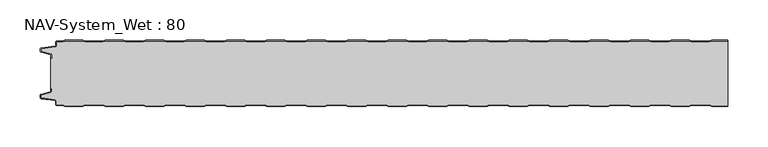
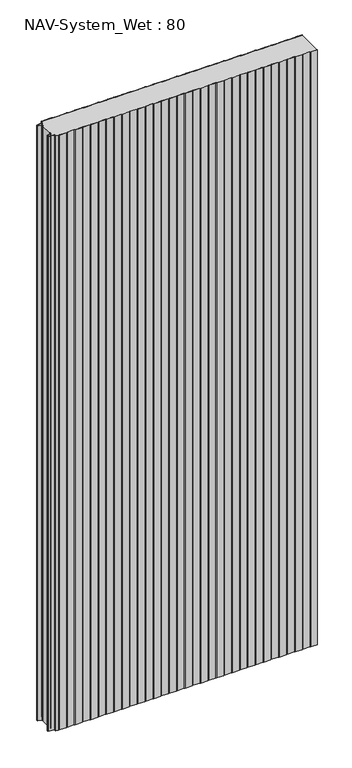
"""IFC4 building model written with IfcOpenShell, lengths in millimetres: plate geometry, NAV-System_Wet : 80."""

from ifc_helpers import new_model, si_unit, point, frame_2d, origin, origin_with_axes, place, context, project, spatial, polyline, circle_curve, trimmed, segment, composite_curve, outline, extrude, source, transform, mapped, element, save


def nav_system_wet_80_3dd9b27e(model_context):
    return source(origin(), model_context, "Body", "SweptSolid", [
        extrude(outline(composite_curve([segment(polyline([(405.3684327, 0.2), (402.3684327, -0.8), (380.3684327, -0.8), (377.3684327, 0.2), (355.3684327, 0.2), (352.3684327, -0.8), (330.3684327, -0.8), (327.3684327, 0.2), (305.3684327, 0.2), (302.3684327, -0.8), (280.3684327, -0.8), (277.3684327, 0.2), (255.3684327, 0.2), (252.3684327, -0.8), (230.3684327, -0.8), (227.3684327, 0.2), (205.3684327, 0.2), (202.3684327, -0.8), (180.3684327, -0.8), (177.3684327, 0.2), (155.3684327, 0.2), (152.3684327, -0.8), (130.3684327, -0.8), (127.3684327, 0.2), (105.3684327, 0.2), (102.3684327, -0.8), (80.3684327, -0.8), (77.3684327, 0.2), (55.3684327, 0.2), (52.3684327, -0.8), (30.3684327, -0.8), (27.3684327, 0.2), (5.3684327, 0.2), (2.3684327, -0.8), (-19.6315673, -0.8), (-22.6315673, 0.2), (-44.6315673, 0.2), (-47.6315673, -0.8), (-69.6315673, -0.8), (-72.6315673, 0.2), (-94.6315673, 0.2), (-97.6315673, -0.8), (-119.6315673, -0.8), (-122.6315673, 0.2), (-144.6315673, 0.2), (-147.6315673, -0.8), (-169.6315673, -0.8), (-172.6315673, 0.2), (-194.6315673, 0.2), (-197.6315673, -0.8), (-219.6315673, -0.8), (-222.6315673, 0.2), (-244.6315673, 0.2), (-247.6315673, -0.8), (-269.6315673, -0.8), (-272.6315673, 0.2), (-294.6315673, 0.2), (-297.6315673, -0.8), (-319.6315673, -0.8), (-322.6315673, 0.2), (-344.6315673, 0.2), (-347.6315673, -0.8), (-369.6315673, -0.8), (-372.6315673, 0.2), (-394.6315673, 0.2), (-397.6315673, -0.8), (-404.7, -0.8)]), True, "CONTINUOUS"), segment(trimmed(circle_curve(frame_2d((-404.7, -1.3)), 0.5), [point((-404.7, -0.8))], [point((-405.2, -1.3))], True, "CARTESIAN"), True, "CONTINUOUS"), segment(polyline([(-405.2, -1.3), (-405.2, -5.3964683)]), True, "CONTINUOUS"), segment(trimmed(circle_curve(frame_2d((-406.7, -5.3964683)), 1.5), [point((-405.2, -5.3964683))], [point((-406.4911207, -6.8818536))], False, "CARTESIAN"), True, "CONTINUOUS"), segment(polyline([(-406.4911207, -6.8818536), (-423.4352183, -9.2645825)]), True, "CONTINUOUS"), segment(trimmed(circle_curve(frame_2d((-423.3114909, -10.1444347)), 0.8885091), [point((-423.4352183, -9.2645825))], [point((-424.2, -10.1444347))], True, "CARTESIAN"), True, "CONTINUOUS"), segment(polyline([(-424.2, -10.1444347), (-424.2, -12.46995)]), True, "CONTINUOUS"), segment(trimmed(circle_curve(frame_2d((-423.6, -12.46995)), 0.6), [point((-424.2, -12.46995))], [point((-423.7552914, -13.0495055))], True, "CARTESIAN"), True, "CONTINUOUS"), segment(polyline([(-423.7552914, -13.0495055), (-412.3785632, -16.0978907)]), True, "CONTINUOUS"), segment(trimmed(circle_curve(frame_2d((-412.7667917, -17.5467794)), 1.5), [point((-412.3785632, -16.0978907))], [point((-411.2667917, -17.5467794))], False, "CARTESIAN"), True, "CONTINUOUS"), segment(polyline([(-411.2667917, -17.5467794), (-411.2667917, -21.0096505), (-412.0667917, -21.0096505), (-412.0667917, -17.5467794)]), True, "CONTINUOUS"), segment(trimmed(circle_curve(frame_2d((-412.7667917, -17.5467794)), 0.7), [point((-412.0667917, -17.5467794))], [point((-412.5856184, -16.8706313))], True, "CARTESIAN"), True, "CONTINUOUS"), segment(polyline([(-412.5856184, -16.8706313), (-424.0364648, -13.8023863)]), True, "CONTINUOUS"), segment(trimmed(circle_curve(frame_2d((-423.7, -12.5466827)), 1.3), [point((-424.0364648, -13.8023863))], [point((-425.0, -12.5466827))], False, "CARTESIAN"), True, "CONTINUOUS"), segment(polyline([(-425.0, -12.5466827), (-425.0, -9.8067363)]), True, "CONTINUOUS"), segment(trimmed(circle_curve(frame_2d((-423.7, -9.8067363)), 1.3), [point((-425.0, -9.8067363))], [point((-423.8810287, -8.5194024))], False, "CARTESIAN"), True, "CONTINUOUS"), segment(polyline([(-423.8810287, -8.5194024), (-406.602523, -6.0896481)]), True, "CONTINUOUS"), segment(trimmed(circle_curve(frame_2d((-406.7, -5.3964683)), 0.7), [point((-406.602523, -6.0896481))], [point((-406.0, -5.3964683))], True, "CARTESIAN"), True, "CONTINUOUS"), segment(polyline([(-406.0, -5.3964683), (-406.0, -1.3)]), True, "CONTINUOUS"), segment(trimmed(circle_curve(frame_2d((-404.7, -1.3)), 1.3), [point((-406.0, -1.3))], [point((-404.7, 0.0))], False, "CARTESIAN"), True, "CONTINUOUS"), segment(polyline([(-404.7, 0.0), (-397.7613895, 0.0), (-394.7613895, 1.0), (-372.5017452, 1.0), (-369.5017452, 0.0), (-347.7613895, 0.0), (-344.7613895, 1.0), (-322.5017452, 1.0), (-319.5017452, 0.0), (-297.7613895, 0.0), (-294.7613895, 1.0), (-272.5017452, 1.0), (-269.5017452, 0.0), (-247.7613895, 0.0), (-244.7613895, 1.0), (-222.5017452, 1.0), (-219.5017452, 0.0), (-197.7613895, 0.0), (-194.7613895, 1.0), (-172.5017452, 1.0), (-169.5017452, 0.0), (-147.7613895, 0.0), (-144.7613895, 1.0), (-122.5017452, 1.0), (-119.5017452, 0.0), (-97.7613895, 0.0), (-94.7613895, 1.0), (-72.5017452, 1.0), (-69.5017452, 0.0), (-47.7613895, 0.0), (-44.7613895, 1.0), (-22.5017452, 1.0), (-19.5017452, 0.0), (2.2386105, 0.0), (5.2386105, 1.0), (27.4982548, 1.0), (30.4982548, 0.0), (52.2386105, 0.0), (55.2386105, 1.0), (77.4982548, 1.0), (80.4982548, 0.0), (102.2386105, 0.0), (105.2386105, 1.0), (127.4982548, 1.0), (130.4982548, 0.0), (152.2386105, 0.0), (155.2386105, 1.0), (177.4982548, 1.0), (180.4982548, 0.0), (202.2386105, 0.0), (205.2386105, 1.0), (227.4982548, 1.0), (230.4982548, 0.0), (252.2386105, 0.0), (255.2386105, 1.0), (277.4982548, 1.0), (280.4982548, 0.0), (302.2386105, 0.0), (305.2386105, 1.0), (327.4982548, 1.0), (330.4982548, 0.0), (352.2386105, 0.0), (355.2386105, 1.0), (377.4982548, 1.0), (380.4982548, 0.0), (402.2386105, 0.0), (405.2386105, 1.0), (425.0, 1.0), (425.0, 0.2), (405.3684327, 0.2)]), True, "CONTINUOUS")], self_intersect=False)), origin_with_axes(), (0.0, 0.0, 1.0), 2000.0),
        extrude(outline(composite_curve([segment(polyline([(405.3684327, -80.2), (402.3684327, -79.2), (380.3684327, -79.2), (377.3684327, -80.2), (355.3684327, -80.2), (352.3684327, -79.2), (330.3684327, -79.2), (327.3684327, -80.2), (305.3684327, -80.2), (302.3684327, -79.2), (280.3684327, -79.2), (277.3684327, -80.2), (255.3684327, -80.2), (252.3684327, -79.2), (230.3684327, -79.2), (227.3684327, -80.2), (205.3684327, -80.2), (202.3684327, -79.2), (180.3684327, -79.2), (177.3684327, -80.2), (155.3684327, -80.2), (152.3684327, -79.2), (130.3684327, -79.2), (127.3684327, -80.2), (105.3684327, -80.2), (102.3684327, -79.2), (80.3684327, -79.2), (77.3684327, -80.2), (55.3684327, -80.2), (52.3684327, -79.2), (30.3684327, -79.2), (27.3684327, -80.2), (5.3684327, -80.2), (2.3684327, -79.2), (-19.6315673, -79.2), (-22.6315673, -80.2), (-44.6315673, -80.2), (-47.6315673, -79.2), (-69.6315673, -79.2), (-72.6315673, -80.2), (-94.6315673, -80.2), (-97.6315673, -79.2), (-119.6315673, -79.2), (-122.6315673, -80.2), (-144.6315673, -80.2), (-147.6315673, -79.2), (-169.6315673, -79.2), (-172.6315673, -80.2), (-194.6315673, -80.2), (-197.6315673, -79.2), (-219.6315673, -79.2), (-222.6315673, -80.2), (-244.6315673, -80.2), (-247.6315673, -79.2), (-269.6315673, -79.2), (-272.6315673, -80.2), (-294.6315673, -80.2), (-297.6315673, -79.2), (-319.6315673, -79.2), (-322.6315673, -80.2), (-344.6315673, -80.2), (-347.6315673, -79.2), (-369.6315673, -79.2), (-372.6315673, -80.2), (-394.6315673, -80.2), (-397.6315673, -79.2), (-404.7, -79.2)]), True, "CONTINUOUS"), segment(trimmed(circle_curve(frame_2d((-404.7, -78.7)), 0.5), [point((-404.7, -79.2))], [point((-405.2, -78.7))], False, "CARTESIAN"), True, "CONTINUOUS"), segment(polyline([(-405.2, -78.7), (-405.2, -74.6035317)]), True, "CONTINUOUS"), segment(trimmed(circle_curve(frame_2d((-406.7, -74.6035317)), 1.5), [point((-405.2, -74.6035317))], [point((-406.4911207, -73.1181464))], True, "CARTESIAN"), True, "CONTINUOUS"), segment(polyline([(-406.4911207, -73.1181464), (-423.4352183, -70.7354175)]), True, "CONTINUOUS"), segment(trimmed(circle_curve(frame_2d((-423.3114909, -69.8555653)), 0.8885091), [point((-423.4352183, -70.7354175))], [point((-424.2, -69.8555653))], False, "CARTESIAN"), True, "CONTINUOUS"), segment(polyline([(-424.2, -69.8555653), (-424.2, -67.53005)]), True, "CONTINUOUS"), segment(trimmed(circle_curve(frame_2d((-423.6, -67.53005)), 0.6), [point((-424.2, -67.53005))], [point((-423.7552914, -66.9504945))], False, "CARTESIAN"), True, "CONTINUOUS"), segment(polyline([(-423.7552914, -66.9504945), (-412.3785632, -63.9021093)]), True, "CONTINUOUS"), segment(trimmed(circle_curve(frame_2d((-412.7667917, -62.4532206)), 1.5), [point((-412.3785632, -63.9021093))], [point((-411.2667917, -62.4532206))], True, "CARTESIAN"), True, "CONTINUOUS"), segment(polyline([(-411.2667917, -62.4532206), (-411.2667917, -58.9903495), (-412.0667917, -58.9903495), (-412.0667917, -21.0096505), (-411.2667917, -21.0096505), (-411.2667917, -17.5467794)]), True, "CONTINUOUS"), segment(trimmed(circle_curve(frame_2d((-412.7667917, -17.5467794)), 1.5), [point((-411.2667917, -17.5467794))], [point((-412.3785632, -16.0978907))], True, "CARTESIAN"), True, "CONTINUOUS"), segment(polyline([(-412.3785632, -16.0978907), (-423.7552914, -13.0495055)]), True, "CONTINUOUS"), segment(trimmed(circle_curve(frame_2d((-423.6, -12.46995)), 0.6), [point((-423.7552914, -13.0495055))], [point((-424.2, -12.46995))], False, "CARTESIAN"), True, "CONTINUOUS"), segment(polyline([(-424.2, -12.46995), (-424.2, -10.1444347)]), True, "CONTINUOUS"), segment(trimmed(circle_curve(frame_2d((-423.3114909, -10.1444347)), 0.8885091), [point((-424.2, -10.1444347))], [point((-423.4352183, -9.2645825))], False, "CARTESIAN"), True, "CONTINUOUS"), segment(polyline([(-423.4352183, -9.2645825), (-406.4911207, -6.8818536)]), True, "CONTINUOUS"), segment(trimmed(circle_curve(frame_2d((-406.7, -5.3964683)), 1.5), [point((-406.4911207, -6.8818536))], [point((-405.2, -5.3964683))], True, "CARTESIAN"), True, "CONTINUOUS"), segment(polyline([(-405.2, -5.3964683), (-405.2, -1.3)]), True, "CONTINUOUS"), segment(trimmed(circle_curve(frame_2d((-404.7, -1.3)), 0.5), [point((-405.2, -1.3))], [point((-404.7, -0.8))], False, "CARTESIAN"), True, "CONTINUOUS"), segment(polyline([(-404.7, -0.8), (-397.6315673, -0.8), (-394.6315673, 0.2), (-372.6315673, 0.2), (-369.6315673, -0.8), (-347.6315673, -0.8), (-344.6315673, 0.2), (-322.6315673, 0.2), (-319.6315673, -0.8), (-297.6315673, -0.8), (-294.6315673, 0.2), (-272.6315673, 0.2), (-269.6315673, -0.8), (-247.6315673, -0.8), (-244.6315673, 0.2), (-222.6315673, 0.2), (-219.6315673, -0.8), (-197.6315673, -0.8), (-194.6315673, 0.2), (-172.6315673, 0.2), (-169.6315673, -0.8), (-147.6315673, -0.8), (-144.6315673, 0.2), (-122.6315673, 0.2), (-119.6315673, -0.8), (-97.6315673, -0.8), (-94.6315673, 0.2), (-72.6315673, 0.2), (-69.6315673, -0.8), (-47.6315673, -0.8), (-44.6315673, 0.2), (-22.6315673, 0.2), (-19.6315673, -0.8), (2.3684327, -0.8), (5.3684327, 0.2), (27.3684327, 0.2), (30.3684327, -0.8), (52.3684327, -0.8), (55.3684327, 0.2), (77.3684327, 0.2), (80.3684327, -0.8), (102.3684327, -0.8), (105.3684327, 0.2), (127.3684327, 0.2), (130.3684327, -0.8), (152.3684327, -0.8), (155.3684327, 0.2), (177.3684327, 0.2), (180.3684327, -0.8), (202.3684327, -0.8), (205.3684327, 0.2), (227.3684327, 0.2), (230.3684327, -0.8), (252.3684327, -0.8), (255.3684327, 0.2), (277.3684327, 0.2), (280.3684327, -0.8), (302.3684327, -0.8), (305.3684327, 0.2), (327.3684327, 0.2), (330.3684327, -0.8), (352.3684327, -0.8), (355.3684327, 0.2), (377.3684327, 0.2), (380.3684327, -0.8), (402.3684327, -0.8), (405.3684327, 0.2), (425.0, 0.2), (425.0, -80.2), (405.3684327, -80.2)]), True, "CONTINUOUS")], self_intersect=False)), origin_with_axes(), (0.0, 0.0, 1.0), 2000.0),
        extrude(outline(composite_curve([segment(polyline([(405.2386105, -81.0), (402.2386105, -80.0), (380.4982548, -80.0), (377.4982548, -81.0), (355.2386105, -81.0), (352.2386105, -80.0), (330.4982548, -80.0), (327.4982548, -81.0), (305.2386105, -81.0), (302.2386105, -80.0), (280.4982548, -80.0), (277.4982548, -81.0), (255.2386105, -81.0), (252.2386105, -80.0), (230.4982548, -80.0), (227.4982548, -81.0), (205.2386105, -81.0), (202.2386105, -80.0), (180.4982548, -80.0), (177.4982548, -81.0), (155.2386105, -81.0), (152.2386105, -80.0), (130.4982548, -80.0), (127.4982548, -81.0), (105.2386105, -81.0), (102.2386105, -80.0), (80.4982548, -80.0), (77.4982548, -81.0), (55.2386105, -81.0), (52.2386105, -80.0), (30.4982548, -80.0), (27.4982548, -81.0), (5.2386105, -81.0), (2.2386105, -80.0), (-19.5017452, -80.0), (-22.5017452, -81.0), (-44.7613895, -81.0), (-47.7613895, -80.0), (-69.5017452, -80.0), (-72.5017452, -81.0), (-94.7613895, -81.0), (-97.7613895, -80.0), (-119.5017452, -80.0), (-122.5017452, -81.0), (-144.7613895, -81.0), (-147.7613895, -80.0), (-169.5017452, -80.0), (-172.5017452, -81.0), (-194.7613895, -81.0), (-197.7613895, -80.0), (-219.5017452, -80.0), (-222.5017452, -81.0), (-244.7613895, -81.0), (-247.7613895, -80.0), (-269.5017452, -80.0), (-272.5017452, -81.0), (-294.7613895, -81.0), (-297.7613895, -80.0), (-319.5017452, -80.0), (-322.5017452, -81.0), (-344.7613895, -81.0), (-347.7613895, -80.0), (-369.5017452, -80.0), (-372.5017452, -81.0), (-394.7613895, -81.0), (-397.7613895, -80.0), (-404.7, -80.0)]), True, "CONTINUOUS"), segment(trimmed(circle_curve(frame_2d((-404.7, -78.7)), 1.3), [point((-404.7, -80.0))], [point((-406.0, -78.7))], False, "CARTESIAN"), True, "CONTINUOUS"), segment(polyline([(-406.0, -78.7), (-406.0, -74.6035317)]), True, "CONTINUOUS"), segment(trimmed(circle_curve(frame_2d((-406.7, -74.6035317)), 0.7), [point((-406.0, -74.6035317))], [point((-406.602523, -73.9103519))], True, "CARTESIAN"), True, "CONTINUOUS"), segment(polyline([(-406.602523, -73.9103519), (-423.8810287, -71.4805976)]), True, "CONTINUOUS"), segment(trimmed(circle_curve(frame_2d((-423.7, -70.1932637)), 1.3), [point((-423.8810287, -71.4805976))], [point((-425.0, -70.1932637))], False, "CARTESIAN"), True, "CONTINUOUS"), segment(polyline([(-425.0, -70.1932637), (-425.0, -67.4533173)]), True, "CONTINUOUS"), segment(trimmed(circle_curve(frame_2d((-423.7, -67.4533173)), 1.3), [point((-425.0, -67.4533173))], [point((-424.0364648, -66.1976137))], False, "CARTESIAN"), True, "CONTINUOUS"), segment(polyline([(-424.0364648, -66.1976137), (-412.5856184, -63.1293687)]), True, "CONTINUOUS"), segment(trimmed(circle_curve(frame_2d((-412.7667917, -62.4532206)), 0.7), [point((-412.5856184, -63.1293687))], [point((-412.0667917, -62.4532206))], True, "CARTESIAN"), True, "CONTINUOUS"), segment(polyline([(-412.0667917, -62.4532206), (-412.0667917, -58.9903495), (-411.2667917, -58.9903495), (-411.2667917, -62.4532206)]), True, "CONTINUOUS"), segment(trimmed(circle_curve(frame_2d((-412.7667917, -62.4532206)), 1.5), [point((-411.2667917, -62.4532206))], [point((-412.3785632, -63.9021093))], False, "CARTESIAN"), True, "CONTINUOUS"), segment(polyline([(-412.3785632, -63.9021093), (-423.7552914, -66.9504945)]), True, "CONTINUOUS"), segment(trimmed(circle_curve(frame_2d((-423.6, -67.53005)), 0.6), [point((-423.7552914, -66.9504945))], [point((-424.2, -67.53005))], True, "CARTESIAN"), True, "CONTINUOUS"), segment(polyline([(-424.2, -67.53005), (-424.2, -69.8555653)]), True, "CONTINUOUS"), segment(trimmed(circle_curve(frame_2d((-423.3114909, -69.8555653)), 0.8885091), [point((-424.2, -69.8555653))], [point((-423.4352183, -70.7354175))], True, "CARTESIAN"), True, "CONTINUOUS"), segment(polyline([(-423.4352183, -70.7354175), (-406.4911207, -73.1181464)]), True, "CONTINUOUS"), segment(trimmed(circle_curve(frame_2d((-406.7, -74.6035317)), 1.5), [point((-406.4911207, -73.1181464))], [point((-405.2, -74.6035317))], False, "CARTESIAN"), True, "CONTINUOUS"), segment(polyline([(-405.2, -74.6035317), (-405.2, -78.7)]), True, "CONTINUOUS"), segment(trimmed(circle_curve(frame_2d((-404.7, -78.7)), 0.5), [point((-405.2, -78.7))], [point((-404.7, -79.2))], True, "CARTESIAN"), True, "CONTINUOUS"), segment(polyline([(-404.7, -79.2), (-397.6315673, -79.2), (-394.6315673, -80.2), (-372.6315673, -80.2), (-369.6315673, -79.2), (-347.6315673, -79.2), (-344.6315673, -80.2), (-322.6315673, -80.2), (-319.6315673, -79.2), (-297.6315673, -79.2), (-294.6315673, -80.2), (-272.6315673, -80.2), (-269.6315673, -79.2), (-247.6315673, -79.2), (-244.6315673, -80.2), (-222.6315673, -80.2), (-219.6315673, -79.2), (-197.6315673, -79.2), (-194.6315673, -80.2), (-172.6315673, -80.2), (-169.6315673, -79.2), (-147.6315673, -79.2), (-144.6315673, -80.2), (-122.6315673, -80.2), (-119.6315673, -79.2), (-97.6315673, -79.2), (-94.6315673, -80.2), (-72.6315673, -80.2), (-69.6315673, -79.2), (-47.6315673, -79.2), (-44.6315673, -80.2), (-22.6315673, -80.2), (-19.6315673, -79.2), (2.3684327, -79.2), (5.3684327, -80.2), (27.3684327, -80.2), (30.3684327, -79.2), (52.3684327, -79.2), (55.3684327, -80.2), (77.3684327, -80.2), (80.3684327, -79.2), (102.3684327, -79.2), (105.3684327, -80.2), (127.3684327, -80.2), (130.3684327, -79.2), (152.3684327, -79.2), (155.3684327, -80.2), (177.3684327, -80.2), (180.3684327, -79.2), (202.3684327, -79.2), (205.3684327, -80.2), (227.3684327, -80.2), (230.3684327, -79.2), (252.3684327, -79.2), (255.3684327, -80.2), (277.3684327, -80.2), (280.3684327, -79.2), (302.3684327, -79.2), (305.3684327, -80.2), (327.3684327, -80.2), (330.3684327, -79.2), (352.3684327, -79.2), (355.3684327, -80.2), (377.3684327, -80.2), (380.3684327, -79.2), (402.3684327, -79.2), (405.3684327, -80.2), (425.0, -80.2), (425.0, -81.0), (405.2386105, -81.0)]), True, "CONTINUOUS")], self_intersect=False)), origin_with_axes(), (0.0, 0.0, 1.0), 2000.0),
    ])


if __name__ == "__main__":
    model = new_model("IFC4")
    model_context = context("Model", 3, world=origin())
    ifc_project = project(units=[si_unit("LENGTHUNIT", "METRE", prefix="MILLI")], contexts=[model_context])
    site = spatial("IfcSite", under=ifc_project)
    building = spatial("IfcBuilding", under=site)
    placement = place(None, origin())
    nav_system_wet_80_shape = nav_system_wet_80_3dd9b27e(model_context)
    element("IfcPlate", 1, ObjectType="NAV-System_Wet : 80", at=placement, inside=building, context=model_context, shape_type="MappedRepresentation", body=[
        mapped(nav_system_wet_80_shape, transform((0.0, 0.0, 0.0), x_axis=(1.0, 0.0, 0.0), y_axis=(0.0, 1.0, 0.0), z_axis=(0.0, 0.0, 1.0))),
    ])
    save(model, "model.ifc")
